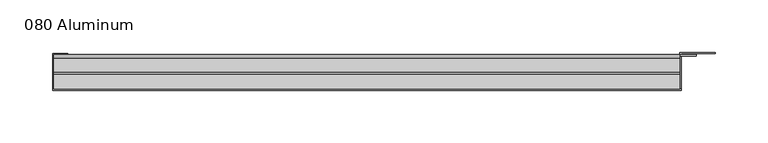
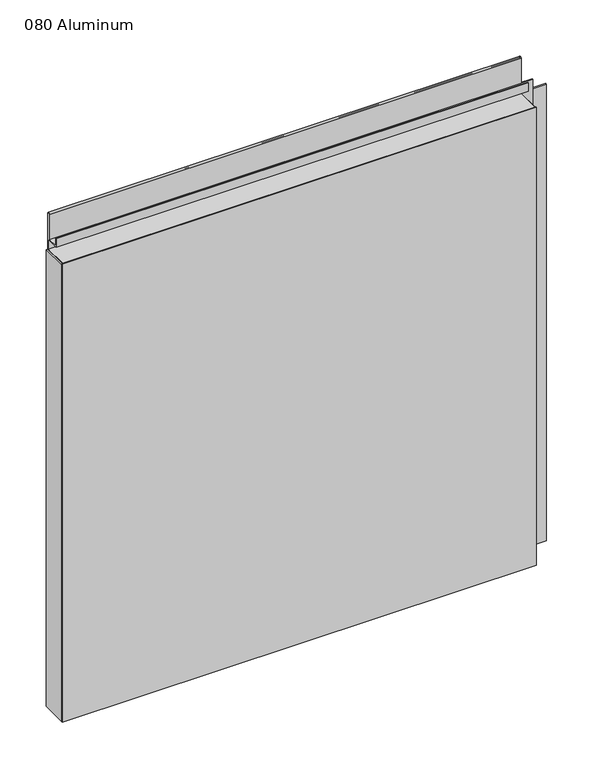
"""IFC4 building model written with IfcOpenShell, lengths in millimetres: plate geometry, 080 Aluminum."""

from ifc_helpers import new_model, si_unit, point, frame, frame_2d, origin, origin_with_axes, place, context, project, spatial, polyline, circle_curve, trimmed, segment, composite_curve, outline, extrude, source, transform, mapped, element, save


def plate_080_aluminum_b5c69336(model_context):
    return source(origin(), model_context, "Body", "SweptSolid", [
        extrude(outline(polyline([(-303.53, -2.5660257), (-303.53, -34.7980001), (-304.7999999, -34.7980001), (-304.7999999, -1.2699999), (-290.6394994, -1.2699999), (-290.6394994, -2.5660257), (-303.53, -2.5660257)])), origin_with_axes(), (0.0, 0.0, 1.0), 608.33),
        extrude(outline(composite_curve([segment(polyline([(-16.6765477, 13.1458337), (-16.6765477, 2.786437), (-17.9464915, 2.786437), (-17.9464915, 13.1323356)]), True, "CONTINUOUS"), segment(trimmed(circle_curve(frame_2d((-19.8514743, 13.124237)), 1.905), [point((-17.9464915, 13.1323356))], [point((-21.7564743, 13.124237))], True, "CARTESIAN"), True, "CONTINUOUS"), segment(polyline([(-21.7564743, 13.124237), (-21.7564743, 0.0), (-34.7980002, 0.0), (-34.7980002, 1.2693678), (-23.0264743, 1.2693678), (-23.0264743, 13.124237)]), True, "CONTINUOUS"), segment(trimmed(circle_curve(frame_2d((-19.8514743, 13.124237)), 3.175), [point((-23.0264743, 13.124237))], [point((-16.6765477, 13.1458337))], False, "CARTESIAN"), True, "CONTINUOUS")], self_intersect=False)), frame((-303.53, 0.0, 0.0), z_axis=(1.0, 0.0, 0.0), x_axis=(0.0, 1.0, 0.0)), (0.0, 0.0, 1.0), 594.36),
        extrude(outline(composite_curve([segment(polyline([(-2.0574743, 656.7932001), (-2.0574743, 608.33), (-34.7980002, 608.33), (-34.7980002, 609.6000001), (-3.3274743, 609.6000001), (-3.3274743, 656.7932001)]), True, "CONTINUOUS"), segment(trimmed(circle_curve(frame_2d((-3.7084742, 656.7932001)), 0.3809999), [point((-3.3274743, 656.7932001))], [point((-4.0894742, 656.7932001))], True, "CARTESIAN"), True, "CONTINUOUS"), segment(polyline([(-4.0894742, 656.7932001), (-4.0894742, 622.3), (-20.4864742, 622.3), (-20.4864742, 633.6538), (-19.2164743, 633.6538), (-19.2164743, 623.57), (-5.3594742, 623.57), (-5.3594742, 656.7932001)]), True, "CONTINUOUS"), segment(trimmed(circle_curve(frame_2d((-3.7084742, 656.7932001)), 1.6509999), [point((-5.3594742, 656.7932001))], [point((-2.0574743, 656.7932001))], False, "CARTESIAN"), True, "CONTINUOUS")], self_intersect=False)), frame((-303.53, 0.0, 0.0), z_axis=(1.0, 0.0, 0.0), x_axis=(0.0, 1.0, 0.0)), (0.0, 0.0, 1.0), 594.36),
        extrude(outline(polyline([(-304.8, -36.068), (-304.8, -34.7980001), (292.1, -34.7980001), (292.1, -36.068), (-304.8, -36.068)])), origin_with_axes(), (0.0, 0.0, 1.0), 609.6),
        extrude(outline(polyline([(292.1, -1.2699999), (292.1, -34.7980002), (290.8300001, -34.7980002), (290.8300001, 0.0), (324.6120856, 0.0), (324.6120856, -1.2699999), (292.1, -1.2699999)])), origin_with_axes(), (0.0, 0.0, 1.0), 608.33),
        extrude(outline(polyline([(290.83, -3.3274743), (290.83, -2.0574743), (306.5779999, -2.0574743), (306.5779999, -3.3274743), (290.83, -3.3274743)])), origin_with_axes(), (0.0, 0.0, 1.0), 622.3),
    ])


if __name__ == "__main__":
    model = new_model("IFC4")
    model_context = context("Model", 3, world=origin())
    ifc_project = project(units=[si_unit("LENGTHUNIT", "METRE", prefix="MILLI")], contexts=[model_context])
    site = spatial("IfcSite", under=ifc_project)
    building = spatial("IfcBuilding", under=site)
    placement = place(None, origin())
    plate_080_aluminum_shape = plate_080_aluminum_b5c69336(model_context)
    element("IfcPlate", 1, ObjectType="080 Aluminum", at=placement, inside=building, context=model_context, shape_type="MappedRepresentation", body=[
        mapped(plate_080_aluminum_shape, transform((0.0, 0.0, 0.0), x_axis=(1.0, 0.0, 0.0), y_axis=(0.0, 1.0, 0.0), z_axis=(0.0, 0.0, 1.0))),
    ])
    save(model, "model.ifc")
